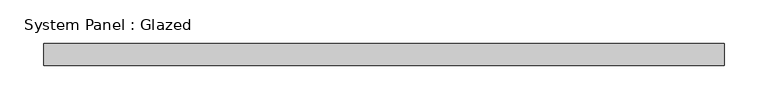
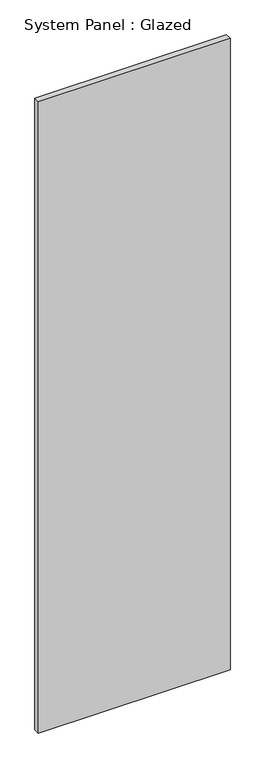
"""IFC4 building model written with IfcOpenShell, lengths in millimetres: plate geometry, System Panel : Glazed."""

from ifc_helpers import new_model, si_unit, origin, origin_with_axes, place, context, project, spatial, polyline, outline, extrude, source, transform, mapped, element, save


def system_panel_glazed_4fd8ffc4(model_context):
    return source(origin(), model_context, "Body", "SweptSolid", [
        extrude(outline(polyline([(387.4797516, -49.5), (-387.4797516, -49.5), (-387.4797516, -24.5), (387.4797516, -24.5), (387.4797516, -49.5)])), origin_with_axes(), (0.0, 0.0, 1.0), 2700.0),
    ])


if __name__ == "__main__":
    model = new_model("IFC4")
    model_context = context("Model", 3, world=origin())
    ifc_project = project(units=[si_unit("LENGTHUNIT", "METRE", prefix="MILLI")], contexts=[model_context])
    site = spatial("IfcSite", under=ifc_project)
    building = spatial("IfcBuilding", under=site)
    placement = place(None, origin())
    system_panel_glazed_shape = system_panel_glazed_4fd8ffc4(model_context)
    element("IfcPlate", 1, ObjectType="System Panel : Glazed", at=placement, inside=building, context=model_context, shape_type="MappedRepresentation", body=[
        mapped(system_panel_glazed_shape, transform((0.0, 0.0, 0.0), x_axis=(1.0, 0.0, 0.0), y_axis=(0.0, 1.0, 0.0), z_axis=(0.0, 0.0, 1.0))),
    ])
    save(model, "model.ifc")
